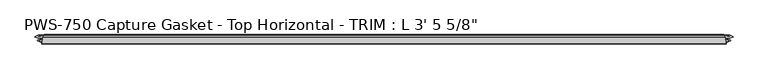
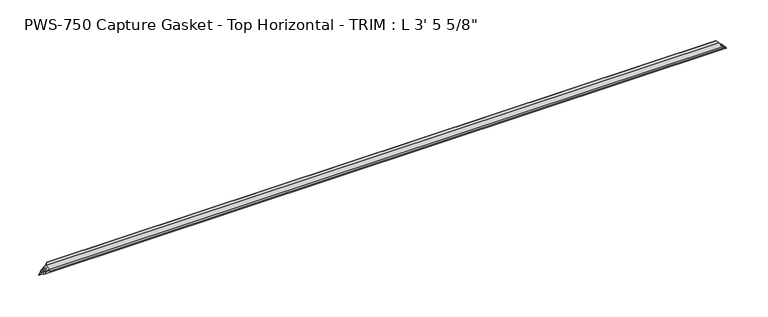
"""IFC4 building model written with IfcOpenShell, lengths in millimetres: proxy geometry."""

import ifcopenshell
import ifcopenshell.guid

model = None  # the IFC model being written
_history = None  # IfcOwnerHistory: only IFC2X3 demands one
_inside = {}  # id of a spatial element -> (the spatial element, [elements in it])
_under = {}  # id of a project, library or spatial element -> (it, [spatial elements below it])
_declared = {}  # id of a project -> (the project, [libraries it declares])
_typed = {}  # id of a type object -> (the type object, [elements of that type])
_made_of = {}  # id of a material, layer set ... -> (it, [elements and type objects made of it])


def new_model(schema):
    """Start an empty IFC model of exactly this schema.

    Asked for "IFC4X3", IfcOpenShell would pick the latest addendum, in which some entities
    have other attributes; the version numbers below select the first issue.
    IFC2X3 requires an IfcOwnerHistory on every rooted entity: one is made here for all.
    """
    global model, _history
    if schema == "IFC4X3":
        model = ifcopenshell.file(schema_version=(4, 3, 0, 0))
    else:
        model = ifcopenshell.file(schema=schema)
    _inside.clear()
    _under.clear()
    _declared.clear()
    _typed.clear()
    _made_of.clear()
    _history = None
    if model.schema == "IFC2X3":
        org = make("IfcOrganization", Name="unknown")
        user = make(
            "IfcPersonAndOrganization",
            ThePerson=make("IfcPerson", FamilyName="unknown"),
            TheOrganization=org,
        )
        app = make(
            "IfcApplication",
            ApplicationDeveloper=org,
            Version="unknown",
            ApplicationFullName="unknown",
            ApplicationIdentifier="unknown",
        )
        _history = make(
            "IfcOwnerHistory",
            OwningUser=user,
            OwningApplication=app,
            ChangeAction="ADDED",
            CreationDate=0,
        )
    return model


def make(cls, **values):
    """One entity of the class cls with the attributes given. An attribute that is None is left unset."""
    return model.create_entity(
        cls, **{name: value for name, value in values.items() if value is not None}
    )


def rooted(cls, **values):
    """An entity with a GlobalId (a new one), such as an element, a storey or a relation."""
    return make(cls, GlobalId=ifcopenshell.guid.new(), OwnerHistory=_history, **values)


def si_unit(unit_type, name, prefix=None):
    """IfcSIUnit, for example si_unit("LENGTHUNIT", "METRE", prefix="MILLI")."""
    return make("IfcSIUnit", UnitType=unit_type, Prefix=prefix, Name=name)


def assignment(units):
    """IfcUnitAssignment: the units of a project."""
    return None if units is None else make("IfcUnitAssignment", Units=units)


def point(xyz):
    """IfcCartesianPoint."""
    return None if xyz is None else make("IfcCartesianPoint", Coordinates=xyz)


def direction(xyz):
    """IfcDirection."""
    return None if xyz is None else make("IfcDirection", DirectionRatios=xyz)


def frame(location, z_axis=None, x_axis=None):
    """IfcAxis2Placement3D, a coordinate frame: its origin and axes. An axis left out is left unset."""
    return make(
        "IfcAxis2Placement3D",
        Location=point(location),
        Axis=direction(z_axis),
        RefDirection=direction(x_axis),
    )


def origin():
    """The frame at (0, 0, 0) with its axes left unset."""
    return frame((0.0, 0.0, 0.0))


def place(relative_to, where):
    """IfcLocalPlacement: puts the frame where relative to a parent placement (None: the world)."""
    return make(
        "IfcLocalPlacement", PlacementRelTo=relative_to, RelativePlacement=where
    )


def context(
    kind, dimensions, precision=None, world=None, true_north=None, identifier=None
):
    """IfcGeometricRepresentationContext, for example the 3D "Model" context."""
    return make(
        "IfcGeometricRepresentationContext",
        ContextIdentifier=identifier,
        ContextType=kind,
        CoordinateSpaceDimension=dimensions,
        Precision=precision,
        WorldCoordinateSystem=world,
        TrueNorth=true_north,
    )


def project(units=None, contexts=None):
    """IfcProject with its units and contexts."""
    return rooted(
        "IfcProject",
        Name="project",
        RepresentationContexts=contexts,
        UnitsInContext=assignment(units),
    )


def spatial(cls, under=None, at=None, **own):
    """A site, building, storey or space (cls), placed at a placement, below another one or the project."""
    s = rooted(cls, ObjectPlacement=at, **own)
    if under is not None:
        _under.setdefault(under.id(), (under, []))[1].append(s)
    return s


def faces_of(points, faces, orient=None, outer=None):
    """IfcFace entities. A face is a list of loops; a loop is a list of indices into points, from 0.

    orient and outer hold one flag for each loop. By default every Orientation is true, the
    first loop of a face is its IfcFaceOuterBound and the others are IfcFaceBound.
    """
    made = []
    for i, loops in enumerate(faces):
        bounds = []
        for j, loop in enumerate(loops):
            is_outer = j == 0 if outer is None else outer[i][j]
            bounds.append(
                make(
                    "IfcFaceOuterBound" if is_outer else "IfcFaceBound",
                    Bound=make("IfcPolyLoop", Polygon=[points[k] for k in loop]),
                    Orientation=True if orient is None else orient[i][j],
                )
            )
        made.append(make("IfcFace", Bounds=bounds))
    return made


def faceted_brep(points, faces, orient=None, outer=None, voids=None):
    """IfcFacetedBrep: a solid bounded by flat faces; with voids (closed shells), ...WithVoids."""
    shared = [point(p) for p in points]
    hull = make("IfcClosedShell", CfsFaces=faces_of(shared, faces, orient, outer))
    if voids is None:
        return make("IfcFacetedBrep", Outer=hull)
    return make(
        "IfcFacetedBrepWithVoids",
        Outer=hull,
        Voids=[
            make(cls, CfsFaces=faces_of(shared, fs, o, b)) for cls, fs, o, b in voids
        ],
    )


def shape(context_of_items, identifier, shape_type, items):
    """IfcShapeRepresentation: the items that make up one representation, for example the "Body"."""
    return make(
        "IfcShapeRepresentation",
        ContextOfItems=context_of_items,
        RepresentationIdentifier=identifier,
        RepresentationType=shape_type,
        Items=items,
    )


def source(mapping_origin, context_of_items, identifier, shape_type, items):
    """IfcRepresentationMap: a shape defined once, which mapped items show again and again."""
    return make(
        "IfcRepresentationMap",
        MappingOrigin=mapping_origin,
        MappedRepresentation=shape(context_of_items, identifier, shape_type, items),
    )


def transform(
    local_origin,
    x_axis=None,
    y_axis=None,
    z_axis=None,
    scale=None,
    scale2=None,
    scale3=None,
    uniform=True,
):
    """IfcCartesianTransformationOperator3D, or its non-uniform kind. x_axis, y_axis, z_axis: its Axis1, 2, 3."""
    if uniform:
        return make(
            "IfcCartesianTransformationOperator3D",
            Axis1=direction(x_axis),
            Axis2=direction(y_axis),
            LocalOrigin=point(local_origin),
            Scale=scale,
            Axis3=direction(z_axis),
        )
    return make(
        "IfcCartesianTransformationOperator3DnonUniform",
        Axis1=direction(x_axis),
        Axis2=direction(y_axis),
        LocalOrigin=point(local_origin),
        Scale=scale,
        Axis3=direction(z_axis),
        Scale2=scale2,
        Scale3=scale3,
    )


def mapped(mapping_source, mapping_target):
    """IfcMappedItem: shows the shape of a source again, moved by a transform."""
    return make(
        "IfcMappedItem", MappingSource=mapping_source, MappingTarget=mapping_target
    )


def made_of(thing, what):
    """Note that an element or type object is made of a material, layer set ...; save() writes the relation."""
    if what is not None:
        _made_of.setdefault(what.id(), (what, []))[1].append(thing)
    return thing


def element(
    cls,
    number,
    at=None,
    inside=None,
    cuts=None,
    type_object=None,
    material=None,
    context=None,
    identifier="Body",
    shape_type=None,
    held_by="IfcProductDefinitionShape",
    body=None,
    shapes=None,
    **own,
):
    """One element of the class cls, such as IfcWall. Its Tag is "e" and its number.

    at: its placement. inside: the storey or other place that contains it. cuts: it is an
    opening in that element (IfcRelVoidsElement). A single representation is given by context,
    identifier, shape_type and body (its items); several are given by shapes. held_by: the class
    of the entity that holds the representations. save() writes the other relations.
    """
    e = rooted(cls, Tag="e%d" % number, ObjectPlacement=at, **own)
    if body is not None:
        shapes = [shape(context, identifier, shape_type, body)]
    if shapes is not None:
        e.Representation = make(held_by, Representations=shapes)
    if inside is not None:
        _inside.setdefault(inside.id(), (inside, []))[1].append(e)
    if cuts is not None:
        rooted(
            "IfcRelVoidsElement", RelatingBuildingElement=cuts, RelatedOpeningElement=e
        )
    if type_object is not None:
        _typed.setdefault(type_object.id(), (type_object, []))[1].append(e)
    return made_of(e, material)


def aggregate(whole, parts):
    """IfcRelAggregates: a whole, such as a stair, and the parts it consists of."""
    return rooted("IfcRelAggregates", RelatingObject=whole, RelatedObjects=parts)


def save(model, path):
    """Write the relations noted so far, then the file.

    IfcRelAggregates (storeys below a building ...), IfcRelContainedInSpatialStructure (elements
    in a storey), IfcRelDefinesByType, IfcRelAssociatesMaterial and IfcRelDeclares: one each for
    every whole, place, type object, material and project.
    """
    for whole, parts in _under.values():
        aggregate(whole, parts)
    for where, things in _inside.values():
        rooted(
            "IfcRelContainedInSpatialStructure",
            RelatedElements=things,
            RelatingStructure=where,
        )
    for kind, things in _typed.values():
        rooted("IfcRelDefinesByType", RelatedObjects=things, RelatingType=kind)
    for what, things in _made_of.values():
        rooted("IfcRelAssociatesMaterial", RelatedObjects=things, RelatingMaterial=what)
    for by, libraries in _declared.values():
        rooted("IfcRelDeclares", RelatingContext=by, RelatedDefinitions=libraries)
    model.write(path)


def proxy_20dac80c(model_context):
    return source(origin(), model_context, "Body", "Brep", [
        faceted_brep([(1046.6938313, 3.1126161, 10.5811687), (10.5811687, 3.1126161, 10.5811687), (10.0325598, 3.8999328, 10.0325598), (1047.2424402, 3.8999328, 10.0325598), (6.917311, 4.2700002, 6.917311), (1050.357689, 4.2700002, 6.917311), (8.2166266, 3.1803976, 8.2166266), (1049.0583734, 3.1803976, 8.2166266), (4.271917, 4.5858484, 4.271917), (1053.003083, 4.5858484, 4.271917), (3.6825598, 5.3411219, 3.6825598), (1053.5924402, 5.3411219, 3.6825598), (4.3087184, 6.061435, 4.3087184), (1052.9662816, 6.061435, 4.3087184), (8.2166266, 7.4537739, 8.2166266), (1049.0583734, 7.4537739, 8.2166266), (6.917311, 6.3641713, 6.917311), (1050.357689, 6.3641713, 6.917311), (10.0325598, 6.7342387, 10.0325598), (1047.2424402, 6.7342387, 10.0325598), (10.0325598, 9.5788982, 10.0325598), (1047.2424402, 9.5788982, 10.0325598), (4.445663, 9.5788982, 4.445663), (1052.829337, 9.5788982, 4.445663), (0.0, 10.6566114, 0.0631583), (1057.275, 10.6566114, 0.0631583), (0.3097145, 11.6592287, 0.3097145), (1056.9652855, 11.6592287, 0.3097145), (5.4117726, 14.0291241, 5.4117726), (1051.8632274, 14.0291241, 5.4117726), (3.3557311, 11.9730826, 3.3557311), (1053.9192689, 11.9730826, 3.3557311), (5.5225062, 11.9730826, 5.5225062), (1051.7524938, 11.9730826, 5.5225062), (8.4924715, 14.0291241, 8.4924715), (1048.7825285, 14.0291241, 8.4924715), (6.649436, 11.7844518, 6.649436), (1050.625564, 11.7844518, 6.649436), (9.7544194, 12.0846322, 9.7544194), (1047.5205806, 12.0846322, 9.7544194), (13.9901764, 14.4184849, 13.9901764), (1043.2848236, 14.4184849, 13.9901764), (14.3553266, 13.6397632, 14.3553266), (1042.9196734, 13.6397632, 14.3553266), (11.8032491, 11.0876857, 11.8032491), (1045.4717509, 11.0876857, 11.8032491), (11.4576697, 1.3581987, 11.4576697), (1045.8173303, 1.3581987, 11.4576697), (10.099471, 0.0, 10.099471), (1047.175529, 0.0, 10.099471), (10.099471, 1.1075685, 10.099471), (1047.175529, 1.1075685, 10.099471)], [[[0, 1, 2, 3]], [[3, 2, 4, 5]], [[5, 4, 6, 7]], [[7, 6, 8, 9]], [[9, 8, 10, 11]], [[11, 10, 12, 13]], [[13, 12, 14, 15]], [[15, 14, 16, 17]], [[17, 16, 18, 19]], [[19, 18, 20, 21]], [[21, 20, 22, 23]], [[24, 25, 23, 22]], [[25, 24, 26, 27]], [[27, 26, 28, 29]], [[29, 28, 30, 31]], [[31, 30, 32, 33]], [[33, 32, 34, 35]], [[35, 34, 36, 37]], [[37, 36, 38, 39]], [[39, 38, 40, 41]], [[41, 40, 42, 43]], [[43, 42, 44, 45]], [[45, 44, 46, 47]], [[47, 46, 48, 49]], [[49, 48, 50, 51]], [[1, 0, 51, 50]], [[2, 1, 50, 48, 46, 44, 42, 40, 38, 36, 34, 32, 30, 28, 26, 24, 22, 20, 18, 16, 14, 12, 10, 8, 6, 4]], [[0, 3, 5, 7, 9, 11, 13, 15, 17, 19, 21, 23, 25, 27, 29, 31, 33, 35, 37, 39, 41, 43, 45, 47, 49, 51]]]),
    ])


if __name__ == "__main__":
    model = new_model("IFC4")
    model_context = context("Model", 3, world=origin())
    ifc_project = project(units=[si_unit("LENGTHUNIT", "METRE", prefix="MILLI")], contexts=[model_context])
    site = spatial("IfcSite", under=ifc_project)
    building = spatial("IfcBuilding", under=site)
    placement = place(None, origin())
    proxy_shape = proxy_20dac80c(model_context)
    element("IfcBuildingElementProxy", 1, Name="PWS-750 Capture Gasket - Top Horizontal - TRIM : L 3' 5 5/8\"", ObjectType="PWS-750 Capture Gasket - Top Horizontal - TRIM : L 3' 5 5/8\"", at=placement, inside=building, context=model_context, shape_type="MappedRepresentation", body=[
        mapped(proxy_shape, transform((0.0, 0.0, 0.0), x_axis=(1.0, 0.0, 0.0), y_axis=(0.0, 1.0, 0.0), z_axis=(0.0, 0.0, 1.0))),
    ])
    save(model, "model.ifc")
